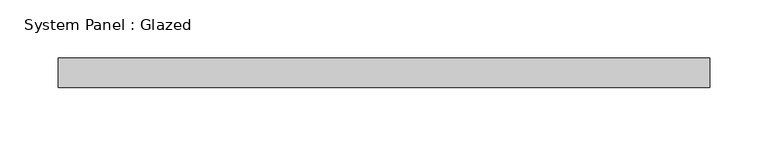
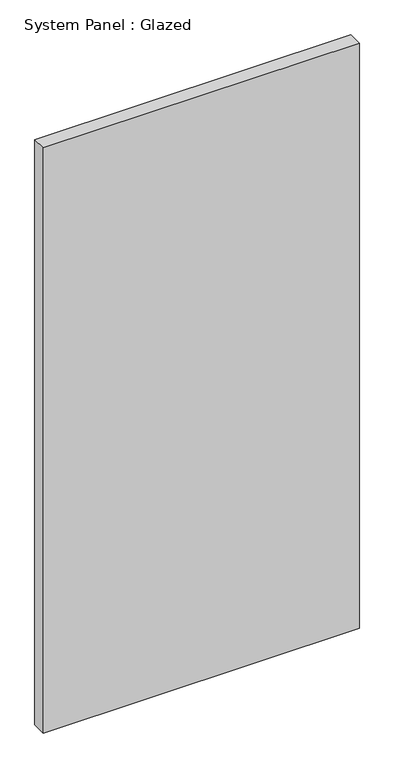
"""IFC4 building model written with IfcOpenShell, lengths in millimetres: plate geometry, System Panel : Glazed."""

from ifc_helpers import new_model, si_unit, origin, origin_with_axes, place, context, project, spatial, polyline, outline, extrude, source, transform, mapped, element, save


def system_panel_glazed_d70fa2b9(model_context):
    return source(origin(), model_context, "Body", "SweptSolid", [
        extrude(outline(polyline([(280.0, -44.45), (-280.0, -44.45), (-280.0, -19.05), (280.0, -19.05), (280.0, -44.45)])), origin_with_axes(), (0.0, 0.0, 1.0), 1095.04),
    ])


if __name__ == "__main__":
    model = new_model("IFC4")
    model_context = context("Model", 3, world=origin())
    ifc_project = project(units=[si_unit("LENGTHUNIT", "METRE", prefix="MILLI")], contexts=[model_context])
    site = spatial("IfcSite", under=ifc_project)
    building = spatial("IfcBuilding", under=site)
    placement = place(None, origin())
    system_panel_glazed_shape = system_panel_glazed_d70fa2b9(model_context)
    element("IfcPlate", 1, ObjectType="System Panel : Glazed", at=placement, inside=building, context=model_context, shape_type="MappedRepresentation", body=[
        mapped(system_panel_glazed_shape, transform((0.0, 0.0, 0.0), x_axis=(1.0, 0.0, 0.0), y_axis=(0.0, 1.0, 0.0), z_axis=(0.0, 0.0, 1.0))),
    ])
    save(model, "model.ifc")
